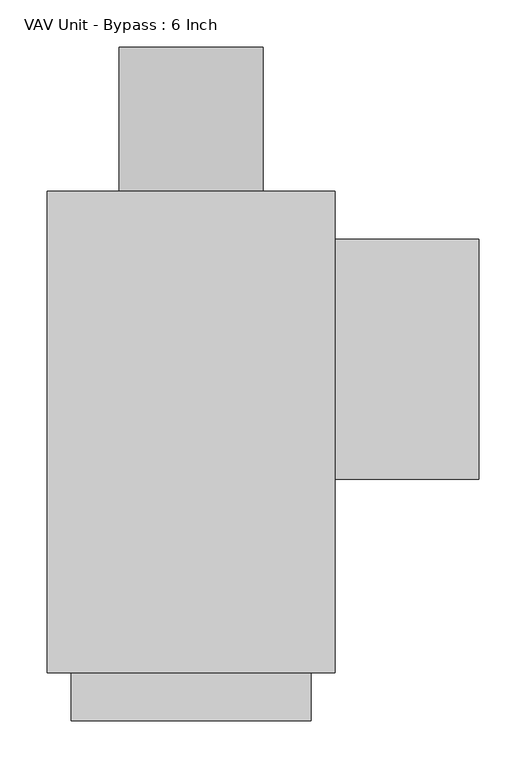
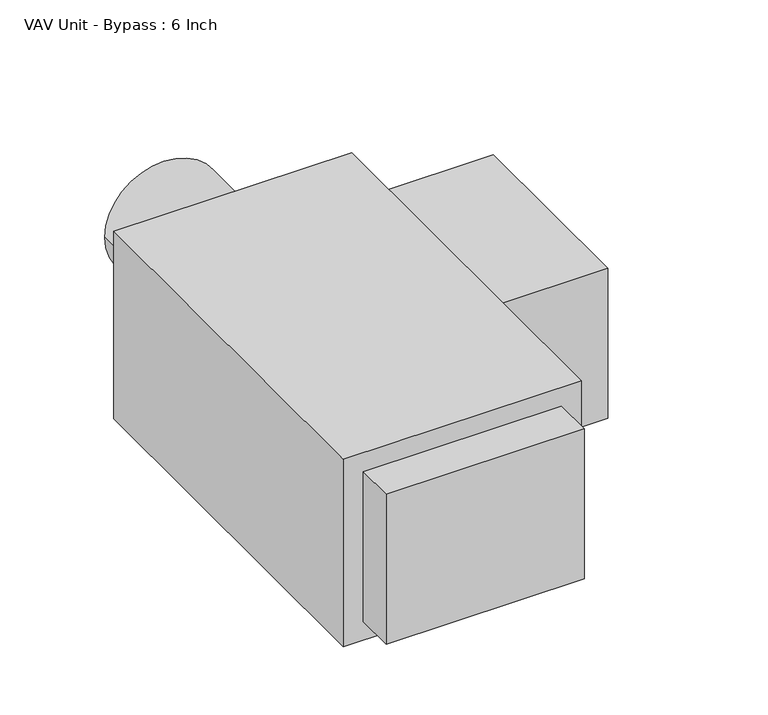
"""IFC4 building model written with IfcOpenShell, lengths in millimetres: proxy geometry, VAV Unit - Bypass : 6 Inch."""

import ifcopenshell
import ifcopenshell.guid

model = None  # the IFC model being written
_history = None  # IfcOwnerHistory: only IFC2X3 demands one
_inside = {}  # id of a spatial element -> (the spatial element, [elements in it])
_under = {}  # id of a project, library or spatial element -> (it, [spatial elements below it])
_declared = {}  # id of a project -> (the project, [libraries it declares])
_typed = {}  # id of a type object -> (the type object, [elements of that type])
_made_of = {}  # id of a material, layer set ... -> (it, [elements and type objects made of it])


def new_model(schema):
    """Start an empty IFC model of exactly this schema.

    Asked for "IFC4X3", IfcOpenShell would pick the latest addendum, in which some entities
    have other attributes; the version numbers below select the first issue.
    IFC2X3 requires an IfcOwnerHistory on every rooted entity: one is made here for all.
    """
    global model, _history
    if schema == "IFC4X3":
        model = ifcopenshell.file(schema_version=(4, 3, 0, 0))
    else:
        model = ifcopenshell.file(schema=schema)
    _inside.clear()
    _under.clear()
    _declared.clear()
    _typed.clear()
    _made_of.clear()
    _history = None
    if model.schema == "IFC2X3":
        org = make("IfcOrganization", Name="unknown")
        user = make(
            "IfcPersonAndOrganization",
            ThePerson=make("IfcPerson", FamilyName="unknown"),
            TheOrganization=org,
        )
        app = make(
            "IfcApplication",
            ApplicationDeveloper=org,
            Version="unknown",
            ApplicationFullName="unknown",
            ApplicationIdentifier="unknown",
        )
        _history = make(
            "IfcOwnerHistory",
            OwningUser=user,
            OwningApplication=app,
            ChangeAction="ADDED",
            CreationDate=0,
        )
    return model


def make(cls, **values):
    """One entity of the class cls with the attributes given. An attribute that is None is left unset."""
    return model.create_entity(
        cls, **{name: value for name, value in values.items() if value is not None}
    )


def rooted(cls, **values):
    """An entity with a GlobalId (a new one), such as an element, a storey or a relation."""
    return make(cls, GlobalId=ifcopenshell.guid.new(), OwnerHistory=_history, **values)


def si_unit(unit_type, name, prefix=None):
    """IfcSIUnit, for example si_unit("LENGTHUNIT", "METRE", prefix="MILLI")."""
    return make("IfcSIUnit", UnitType=unit_type, Prefix=prefix, Name=name)


def assignment(units):
    """IfcUnitAssignment: the units of a project."""
    return None if units is None else make("IfcUnitAssignment", Units=units)


def point(xyz):
    """IfcCartesianPoint."""
    return None if xyz is None else make("IfcCartesianPoint", Coordinates=xyz)


def direction(xyz):
    """IfcDirection."""
    return None if xyz is None else make("IfcDirection", DirectionRatios=xyz)


def frame(location, z_axis=None, x_axis=None):
    """IfcAxis2Placement3D, a coordinate frame: its origin and axes. An axis left out is left unset."""
    return make(
        "IfcAxis2Placement3D",
        Location=point(location),
        Axis=direction(z_axis),
        RefDirection=direction(x_axis),
    )


def frame_2d(location, x_axis=None):
    """IfcAxis2Placement2D, a coordinate frame in the plane: its origin and x axis."""
    return make(
        "IfcAxis2Placement2D", Location=point(location), RefDirection=direction(x_axis)
    )


def origin():
    """The frame at (0, 0, 0) with its axes left unset."""
    return frame((0.0, 0.0, 0.0))


def origin_2d():
    """The frame at (0, 0) in the plane with its x axis left unset."""
    return frame_2d((0.0, 0.0))


def place(relative_to, where):
    """IfcLocalPlacement: puts the frame where relative to a parent placement (None: the world)."""
    return make(
        "IfcLocalPlacement", PlacementRelTo=relative_to, RelativePlacement=where
    )


def context(
    kind, dimensions, precision=None, world=None, true_north=None, identifier=None
):
    """IfcGeometricRepresentationContext, for example the 3D "Model" context."""
    return make(
        "IfcGeometricRepresentationContext",
        ContextIdentifier=identifier,
        ContextType=kind,
        CoordinateSpaceDimension=dimensions,
        Precision=precision,
        WorldCoordinateSystem=world,
        TrueNorth=true_north,
    )


def project(units=None, contexts=None):
    """IfcProject with its units and contexts."""
    return rooted(
        "IfcProject",
        Name="project",
        RepresentationContexts=contexts,
        UnitsInContext=assignment(units),
    )


def spatial(cls, under=None, at=None, **own):
    """A site, building, storey or space (cls), placed at a placement, below another one or the project."""
    s = rooted(cls, ObjectPlacement=at, **own)
    if under is not None:
        _under.setdefault(under.id(), (under, []))[1].append(s)
    return s


def polyline(points):
    """IfcPolyline through the points."""
    return make("IfcPolyline", Points=[point(p) for p in points])


def circle_curve(where, radius):
    """IfcCircle in the frame where."""
    return make("IfcCircle", Position=where, Radius=radius)


def trimmed(basis, trim1, trim2, sense, master):
    """IfcTrimmedCurve: the piece of a basis curve between two trims."""
    return make(
        "IfcTrimmedCurve",
        BasisCurve=basis,
        Trim1=trim1,
        Trim2=trim2,
        SenseAgreement=sense,
        MasterRepresentation=master,
    )


def segment(curve, same_sense, transition):
    """IfcCompositeCurveSegment."""
    return make(
        "IfcCompositeCurveSegment",
        Transition=transition,
        SameSense=same_sense,
        ParentCurve=curve,
    )


def composite_curve(segments, self_intersect=None):
    """IfcCompositeCurve: segments joined end to end."""
    return make("IfcCompositeCurve", Segments=segments, SelfIntersect=self_intersect)


def outline(outer, holes=None, kind="AREA"):
    """IfcArbitraryClosedProfileDef: a profile drawn as a closed curve; with holes, ...WithVoids."""
    if holes is None:
        return make("IfcArbitraryClosedProfileDef", ProfileType=kind, OuterCurve=outer)
    return make(
        "IfcArbitraryProfileDefWithVoids",
        ProfileType=kind,
        OuterCurve=outer,
        InnerCurves=holes,
    )


def extrude(swept, where, along, depth):
    """IfcExtrudedAreaSolid: the profile swept, set in the frame where, extruded along a direction by depth."""
    return make(
        "IfcExtrudedAreaSolid",
        SweptArea=swept,
        Position=where,
        ExtrudedDirection=direction(along),
        Depth=depth,
    )


def shape(context_of_items, identifier, shape_type, items):
    """IfcShapeRepresentation: the items that make up one representation, for example the "Body"."""
    return make(
        "IfcShapeRepresentation",
        ContextOfItems=context_of_items,
        RepresentationIdentifier=identifier,
        RepresentationType=shape_type,
        Items=items,
    )


def source(mapping_origin, context_of_items, identifier, shape_type, items):
    """IfcRepresentationMap: a shape defined once, which mapped items show again and again."""
    return make(
        "IfcRepresentationMap",
        MappingOrigin=mapping_origin,
        MappedRepresentation=shape(context_of_items, identifier, shape_type, items),
    )


def transform(
    local_origin,
    x_axis=None,
    y_axis=None,
    z_axis=None,
    scale=None,
    scale2=None,
    scale3=None,
    uniform=True,
):
    """IfcCartesianTransformationOperator3D, or its non-uniform kind. x_axis, y_axis, z_axis: its Axis1, 2, 3."""
    if uniform:
        return make(
            "IfcCartesianTransformationOperator3D",
            Axis1=direction(x_axis),
            Axis2=direction(y_axis),
            LocalOrigin=point(local_origin),
            Scale=scale,
            Axis3=direction(z_axis),
        )
    return make(
        "IfcCartesianTransformationOperator3DnonUniform",
        Axis1=direction(x_axis),
        Axis2=direction(y_axis),
        LocalOrigin=point(local_origin),
        Scale=scale,
        Axis3=direction(z_axis),
        Scale2=scale2,
        Scale3=scale3,
    )


def mapped(mapping_source, mapping_target):
    """IfcMappedItem: shows the shape of a source again, moved by a transform."""
    return make(
        "IfcMappedItem", MappingSource=mapping_source, MappingTarget=mapping_target
    )


def made_of(thing, what):
    """Note that an element or type object is made of a material, layer set ...; save() writes the relation."""
    if what is not None:
        _made_of.setdefault(what.id(), (what, []))[1].append(thing)
    return thing


def element(
    cls,
    number,
    at=None,
    inside=None,
    cuts=None,
    type_object=None,
    material=None,
    context=None,
    identifier="Body",
    shape_type=None,
    held_by="IfcProductDefinitionShape",
    body=None,
    shapes=None,
    **own,
):
    """One element of the class cls, such as IfcWall. Its Tag is "e" and its number.

    at: its placement. inside: the storey or other place that contains it. cuts: it is an
    opening in that element (IfcRelVoidsElement). A single representation is given by context,
    identifier, shape_type and body (its items); several are given by shapes. held_by: the class
    of the entity that holds the representations. save() writes the other relations.
    """
    e = rooted(cls, Tag="e%d" % number, ObjectPlacement=at, **own)
    if body is not None:
        shapes = [shape(context, identifier, shape_type, body)]
    if shapes is not None:
        e.Representation = make(held_by, Representations=shapes)
    if inside is not None:
        _inside.setdefault(inside.id(), (inside, []))[1].append(e)
    if cuts is not None:
        rooted(
            "IfcRelVoidsElement", RelatingBuildingElement=cuts, RelatedOpeningElement=e
        )
    if type_object is not None:
        _typed.setdefault(type_object.id(), (type_object, []))[1].append(e)
    return made_of(e, material)


def aggregate(whole, parts):
    """IfcRelAggregates: a whole, such as a stair, and the parts it consists of."""
    return rooted("IfcRelAggregates", RelatingObject=whole, RelatedObjects=parts)


def save(model, path):
    """Write the relations noted so far, then the file.

    IfcRelAggregates (storeys below a building ...), IfcRelContainedInSpatialStructure (elements
    in a storey), IfcRelDefinesByType, IfcRelAssociatesMaterial and IfcRelDeclares: one each for
    every whole, place, type object, material and project.
    """
    for whole, parts in _under.values():
        aggregate(whole, parts)
    for where, things in _inside.values():
        rooted(
            "IfcRelContainedInSpatialStructure",
            RelatedElements=things,
            RelatingStructure=where,
        )
    for kind, things in _typed.values():
        rooted("IfcRelDefinesByType", RelatedObjects=things, RelatingType=kind)
    for what, things in _made_of.values():
        rooted("IfcRelAssociatesMaterial", RelatedObjects=things, RelatingMaterial=what)
    for by, libraries in _declared.values():
        rooted("IfcRelDeclares", RelatingContext=by, RelatedDefinitions=libraries)
    model.write(path)


def vav_unit_bypass_6_inch_c4bbf22d(model_context):
    return source(origin(), model_context, "Body", "SweptSolid", [
        extrude(outline(polyline([(304.8, 203.99375), (304.8, -50.00625), (152.4, -50.00625), (152.4, 203.99375), (304.8, 203.99375)])), frame((0.0, 0.0, -101.6), z_axis=(0.0, 0.0, 1.0), x_axis=(1.0, 0.0, 0.0)), (0.0, 0.0, 1.0), 203.2),
        extrude(outline(composite_curve([segment(trimmed(circle_curve(origin_2d(), 76.2), [point((0.0, -76.2))], [point((0.0, 76.2))], False, "CARTESIAN"), True, "CONTINUOUS"), segment(trimmed(circle_curve(origin_2d(), 76.2), [point((0.0, 76.2))], [point((0.0, -76.2))], False, "CARTESIAN"), True, "CONTINUOUS")], self_intersect=False)), frame((0.0, 254.79375, 0.0), z_axis=(0.0, 1.0, 0.0), x_axis=(0.0, 0.0, 1.0)), (0.0, 0.0, 1.0), 152.4),
        extrude(outline(polyline([(127.0, -305.59375), (-127.0, -305.59375), (-127.0, -254.79375), (127.0, -254.79375), (127.0, -305.59375)])), frame((0.0, 0.0, -101.6), z_axis=(0.0, 0.0, 1.0), x_axis=(1.0, 0.0, 0.0)), (0.0, 0.0, 1.0), 203.2),
        extrude(outline(polyline([(152.4, -254.79375), (-152.4, -254.79375), (-152.4, 254.79375), (152.4, 254.79375), (152.4, -254.79375)])), frame((0.0, 0.0, -127.0), z_axis=(0.0, 0.0, 1.0), x_axis=(1.0, 0.0, 0.0)), (0.0, 0.0, 1.0), 254.0),
    ])


if __name__ == "__main__":
    model = new_model("IFC4")
    model_context = context("Model", 3, world=origin())
    ifc_project = project(units=[si_unit("LENGTHUNIT", "METRE", prefix="MILLI")], contexts=[model_context])
    site = spatial("IfcSite", under=ifc_project)
    building = spatial("IfcBuilding", under=site)
    placement = place(None, origin())
    vav_unit_bypass_6_inch_shape = vav_unit_bypass_6_inch_c4bbf22d(model_context)
    element("IfcBuildingElementProxy", 1, Name="VAV Unit - Bypass : 6 Inch", ObjectType="VAV Unit - Bypass : 6 Inch", at=placement, inside=building, context=model_context, shape_type="MappedRepresentation", body=[
        mapped(vav_unit_bypass_6_inch_shape, transform((0.0, 0.0, 0.0), x_axis=(1.0, 0.0, 0.0), y_axis=(0.0, 1.0, 0.0), z_axis=(0.0, 0.0, 1.0))),
    ])
    save(model, "model.ifc")
